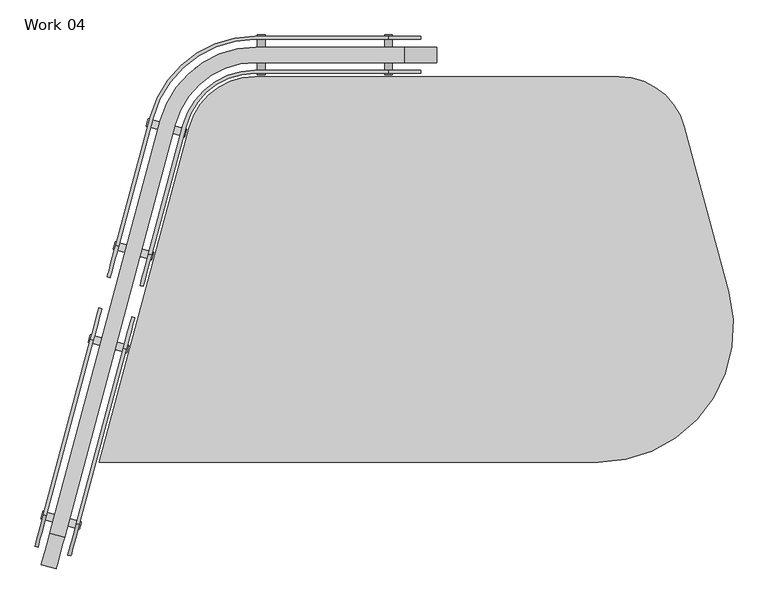
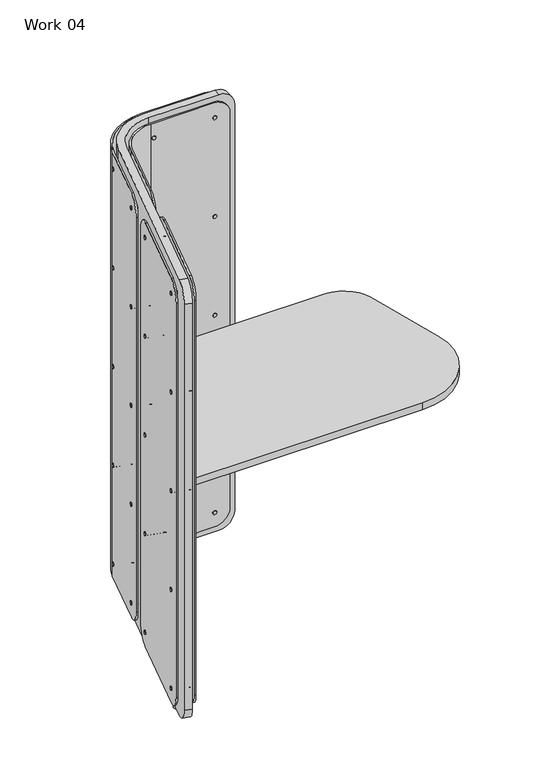
"""IFC4 building model written with IfcOpenShell, lengths in millimetres: furniture geometry, Work 04."""

import ifcopenshell
import ifcopenshell.guid

model = None  # the IFC model being written
_history = None  # IfcOwnerHistory: only IFC2X3 demands one
_inside = {}  # id of a spatial element -> (the spatial element, [elements in it])
_under = {}  # id of a project, library or spatial element -> (it, [spatial elements below it])
_declared = {}  # id of a project -> (the project, [libraries it declares])
_typed = {}  # id of a type object -> (the type object, [elements of that type])
_made_of = {}  # id of a material, layer set ... -> (it, [elements and type objects made of it])


def new_model(schema):
    """Start an empty IFC model of exactly this schema.

    Asked for "IFC4X3", IfcOpenShell would pick the latest addendum, in which some entities
    have other attributes; the version numbers below select the first issue.
    IFC2X3 requires an IfcOwnerHistory on every rooted entity: one is made here for all.
    """
    global model, _history
    if schema == "IFC4X3":
        model = ifcopenshell.file(schema_version=(4, 3, 0, 0))
    else:
        model = ifcopenshell.file(schema=schema)
    _inside.clear()
    _under.clear()
    _declared.clear()
    _typed.clear()
    _made_of.clear()
    _history = None
    if model.schema == "IFC2X3":
        org = make("IfcOrganization", Name="unknown")
        user = make(
            "IfcPersonAndOrganization",
            ThePerson=make("IfcPerson", FamilyName="unknown"),
            TheOrganization=org,
        )
        app = make(
            "IfcApplication",
            ApplicationDeveloper=org,
            Version="unknown",
            ApplicationFullName="unknown",
            ApplicationIdentifier="unknown",
        )
        _history = make(
            "IfcOwnerHistory",
            OwningUser=user,
            OwningApplication=app,
            ChangeAction="ADDED",
            CreationDate=0,
        )
    return model


def make(cls, **values):
    """One entity of the class cls with the attributes given. An attribute that is None is left unset."""
    return model.create_entity(
        cls, **{name: value for name, value in values.items() if value is not None}
    )


def rooted(cls, **values):
    """An entity with a GlobalId (a new one), such as an element, a storey or a relation."""
    return make(cls, GlobalId=ifcopenshell.guid.new(), OwnerHistory=_history, **values)


def si_unit(unit_type, name, prefix=None):
    """IfcSIUnit, for example si_unit("LENGTHUNIT", "METRE", prefix="MILLI")."""
    return make("IfcSIUnit", UnitType=unit_type, Prefix=prefix, Name=name)


def assignment(units):
    """IfcUnitAssignment: the units of a project."""
    return None if units is None else make("IfcUnitAssignment", Units=units)


def point(xyz):
    """IfcCartesianPoint."""
    return None if xyz is None else make("IfcCartesianPoint", Coordinates=xyz)


def direction(xyz):
    """IfcDirection."""
    return None if xyz is None else make("IfcDirection", DirectionRatios=xyz)


def frame(location, z_axis=None, x_axis=None):
    """IfcAxis2Placement3D, a coordinate frame: its origin and axes. An axis left out is left unset."""
    return make(
        "IfcAxis2Placement3D",
        Location=point(location),
        Axis=direction(z_axis),
        RefDirection=direction(x_axis),
    )


def frame_2d(location, x_axis=None):
    """IfcAxis2Placement2D, a coordinate frame in the plane: its origin and x axis."""
    return make(
        "IfcAxis2Placement2D", Location=point(location), RefDirection=direction(x_axis)
    )


def origin():
    """The frame at (0, 0, 0) with its axes left unset."""
    return frame((0.0, 0.0, 0.0))


def origin_with_axes():
    """The frame at (0, 0, 0) with the z axis (0, 0, 1) and the x axis (1, 0, 0) written out."""
    return frame((0.0, 0.0, 0.0), z_axis=(0.0, 0.0, 1.0), x_axis=(1.0, 0.0, 0.0))


def place(relative_to, where):
    """IfcLocalPlacement: puts the frame where relative to a parent placement (None: the world)."""
    return make(
        "IfcLocalPlacement", PlacementRelTo=relative_to, RelativePlacement=where
    )


def context(
    kind, dimensions, precision=None, world=None, true_north=None, identifier=None
):
    """IfcGeometricRepresentationContext, for example the 3D "Model" context."""
    return make(
        "IfcGeometricRepresentationContext",
        ContextIdentifier=identifier,
        ContextType=kind,
        CoordinateSpaceDimension=dimensions,
        Precision=precision,
        WorldCoordinateSystem=world,
        TrueNorth=true_north,
    )


def project(units=None, contexts=None):
    """IfcProject with its units and contexts."""
    return rooted(
        "IfcProject",
        Name="project",
        RepresentationContexts=contexts,
        UnitsInContext=assignment(units),
    )


def spatial(cls, under=None, at=None, **own):
    """A site, building, storey or space (cls), placed at a placement, below another one or the project."""
    s = rooted(cls, ObjectPlacement=at, **own)
    if under is not None:
        _under.setdefault(under.id(), (under, []))[1].append(s)
    return s


def polyline(points):
    """IfcPolyline through the points."""
    return make("IfcPolyline", Points=[point(p) for p in points])


def circle_curve(where, radius):
    """IfcCircle in the frame where."""
    return make("IfcCircle", Position=where, Radius=radius)


def trimmed(basis, trim1, trim2, sense, master):
    """IfcTrimmedCurve: the piece of a basis curve between two trims."""
    return make(
        "IfcTrimmedCurve",
        BasisCurve=basis,
        Trim1=trim1,
        Trim2=trim2,
        SenseAgreement=sense,
        MasterRepresentation=master,
    )


def segment(curve, same_sense, transition):
    """IfcCompositeCurveSegment."""
    return make(
        "IfcCompositeCurveSegment",
        Transition=transition,
        SameSense=same_sense,
        ParentCurve=curve,
    )


def composite_curve(segments, self_intersect=None):
    """IfcCompositeCurve: segments joined end to end."""
    return make("IfcCompositeCurve", Segments=segments, SelfIntersect=self_intersect)


def outline(outer, holes=None, kind="AREA"):
    """IfcArbitraryClosedProfileDef: a profile drawn as a closed curve; with holes, ...WithVoids."""
    if holes is None:
        return make("IfcArbitraryClosedProfileDef", ProfileType=kind, OuterCurve=outer)
    return make(
        "IfcArbitraryProfileDefWithVoids",
        ProfileType=kind,
        OuterCurve=outer,
        InnerCurves=holes,
    )


def extrude(swept, where, along, depth):
    """IfcExtrudedAreaSolid: the profile swept, set in the frame where, extruded along a direction by depth."""
    return make(
        "IfcExtrudedAreaSolid",
        SweptArea=swept,
        Position=where,
        ExtrudedDirection=direction(along),
        Depth=depth,
    )


def shape(context_of_items, identifier, shape_type, items):
    """IfcShapeRepresentation: the items that make up one representation, for example the "Body"."""
    return make(
        "IfcShapeRepresentation",
        ContextOfItems=context_of_items,
        RepresentationIdentifier=identifier,
        RepresentationType=shape_type,
        Items=items,
    )


def source(mapping_origin, context_of_items, identifier, shape_type, items):
    """IfcRepresentationMap: a shape defined once, which mapped items show again and again."""
    return make(
        "IfcRepresentationMap",
        MappingOrigin=mapping_origin,
        MappedRepresentation=shape(context_of_items, identifier, shape_type, items),
    )


def transform(
    local_origin,
    x_axis=None,
    y_axis=None,
    z_axis=None,
    scale=None,
    scale2=None,
    scale3=None,
    uniform=True,
):
    """IfcCartesianTransformationOperator3D, or its non-uniform kind. x_axis, y_axis, z_axis: its Axis1, 2, 3."""
    if uniform:
        return make(
            "IfcCartesianTransformationOperator3D",
            Axis1=direction(x_axis),
            Axis2=direction(y_axis),
            LocalOrigin=point(local_origin),
            Scale=scale,
            Axis3=direction(z_axis),
        )
    return make(
        "IfcCartesianTransformationOperator3DnonUniform",
        Axis1=direction(x_axis),
        Axis2=direction(y_axis),
        LocalOrigin=point(local_origin),
        Scale=scale,
        Axis3=direction(z_axis),
        Scale2=scale2,
        Scale3=scale3,
    )


def mapped(mapping_source, mapping_target):
    """IfcMappedItem: shows the shape of a source again, moved by a transform."""
    return make(
        "IfcMappedItem", MappingSource=mapping_source, MappingTarget=mapping_target
    )


def made_of(thing, what):
    """Note that an element or type object is made of a material, layer set ...; save() writes the relation."""
    if what is not None:
        _made_of.setdefault(what.id(), (what, []))[1].append(thing)
    return thing


def element(
    cls,
    number,
    at=None,
    inside=None,
    cuts=None,
    type_object=None,
    material=None,
    context=None,
    identifier="Body",
    shape_type=None,
    held_by="IfcProductDefinitionShape",
    body=None,
    shapes=None,
    **own,
):
    """One element of the class cls, such as IfcWall. Its Tag is "e" and its number.

    at: its placement. inside: the storey or other place that contains it. cuts: it is an
    opening in that element (IfcRelVoidsElement). A single representation is given by context,
    identifier, shape_type and body (its items); several are given by shapes. held_by: the class
    of the entity that holds the representations. save() writes the other relations.
    """
    e = rooted(cls, Tag="e%d" % number, ObjectPlacement=at, **own)
    if body is not None:
        shapes = [shape(context, identifier, shape_type, body)]
    if shapes is not None:
        e.Representation = make(held_by, Representations=shapes)
    if inside is not None:
        _inside.setdefault(inside.id(), (inside, []))[1].append(e)
    if cuts is not None:
        rooted(
            "IfcRelVoidsElement", RelatingBuildingElement=cuts, RelatedOpeningElement=e
        )
    if type_object is not None:
        _typed.setdefault(type_object.id(), (type_object, []))[1].append(e)
    return made_of(e, material)


def aggregate(whole, parts):
    """IfcRelAggregates: a whole, such as a stair, and the parts it consists of."""
    return rooted("IfcRelAggregates", RelatingObject=whole, RelatedObjects=parts)


def save(model, path):
    """Write the relations noted so far, then the file.

    IfcRelAggregates (storeys below a building ...), IfcRelContainedInSpatialStructure (elements
    in a storey), IfcRelDefinesByType, IfcRelAssociatesMaterial and IfcRelDeclares: one each for
    every whole, place, type object, material and project.
    """
    for whole, parts in _under.values():
        aggregate(whole, parts)
    for where, things in _inside.values():
        rooted(
            "IfcRelContainedInSpatialStructure",
            RelatedElements=things,
            RelatingStructure=where,
        )
    for kind, things in _typed.values():
        rooted("IfcRelDefinesByType", RelatedObjects=things, RelatingType=kind)
    for what, things in _made_of.values():
        rooted("IfcRelAssociatesMaterial", RelatedObjects=things, RelatingMaterial=what)
    for by, libraries in _declared.values():
        rooted("IfcRelDeclares", RelatingContext=by, RelatedDefinitions=libraries)
    model.write(path)


def plane_surface(at):
    """IfcPlane: the flat surface through the origin of the frame at, square to its z axis."""
    return make("IfcPlane", Position=at)


def cylinder_surface(at, radius):
    """IfcCylindricalSurface: all points at the distance radius from the z axis of the frame at."""
    return make("IfcCylindricalSurface", Position=at, Radius=radius)


def revolved_surface(curve, axis_point, axis_direction):
    """IfcSurfaceOfRevolution: the curve turned about the line through axis_point along axis_direction."""
    return make(
        "IfcSurfaceOfRevolution",
        SweptCurve=make("IfcArbitraryOpenProfileDef", ProfileType="CURVE", Curve=curve),
        AxisPosition=make("IfcAxis1Placement", Location=point(axis_point), Axis=direction(axis_direction)),
    )


def advanced_brep(points, edges, surfaces, faces):
    """IfcAdvancedBrep: a solid bounded by faces that lie on surfaces and meet in shared edges.

    An edge is (start, end): straight between two places in points (the first is 0);
    or (start, end, curve); or (start, end, curve, False) where it runs against its curve.
    A face is (place in surfaces, loops), or (place, loops, False) where it looks against
    its surface's normal. A loop lists edges by number (the first is 1), with a minus sign
    where the edge is run from its end to its start. The first loop is the outer one.
    """
    corners = [point(p) for p in points]
    vertices = [make("IfcVertexPoint", VertexGeometry=c) for c in corners]
    made = []
    for start, end, *more in edges:
        made.append(
            make(
                "IfcEdgeCurve",
                EdgeStart=vertices[start],
                EdgeEnd=vertices[end],
                EdgeGeometry=more[0] if more else make("IfcPolyline", Points=[corners[start], corners[end]]),
                SameSense=more[1] if len(more) > 1 else True,
            )
        )
    hull = []
    for where, loops, *sense in faces:
        bounds = []
        for j, loop in enumerate(loops):
            ring = [make("IfcOrientedEdge", EdgeElement=made[abs(k) - 1], Orientation=k > 0) for k in loop]
            bounds.append(
                make(
                    "IfcFaceOuterBound" if j == 0 else "IfcFaceBound",
                    Bound=make("IfcEdgeLoop", EdgeList=ring),
                    Orientation=True,
                )
            )
        hull.append(make("IfcAdvancedFace", Bounds=bounds, FaceSurface=surfaces[where], SameSense=sense[0] if sense else True))
    return make("IfcAdvancedBrep", Outer=make("IfcClosedShell", CfsFaces=hull))


def work_04_955e3c54(model_context):
    return source(origin(), model_context, "Body", "SolidModel", [
        advanced_brep(
        [(319.2121602, 0.0, 1510.0), (155.9706956, -125.2595814, 1510.0), (102.3193192, -325.4892437, 1510.0), (107.1489484, -326.7833389, 1510.0), (160.8003247, -126.5536766, 1510.0), (319.2121602, -5.0, 1510.0), (526.5051602, -5.0, 1510.0), (526.5051602, 0.0, 1510.0), (319.2121602, -5.0, 50.0), (160.8003247, -126.5536766, 50.0), (107.1489484, -326.7833389, 50.0), (102.3193192, -325.4892437, 50.0), (155.9706956, -125.2595814, 50.0), (319.2121602, 0.0, 50.0), (526.5051602, 0.0, 50.0), (526.5051602, -5.0, 50.0), (577.3051602, 0.0, 1459.2), (577.3051602, 0.0, 100.8), (89.1713117, -374.5582757, 100.8), (89.1713117, -374.5582757, 1459.2), (94.0009409, -375.8523709, 1459.2), (94.0009409, -375.8523709, 100.8), (577.3051602, -5.0, 100.8), (577.3051602, -5.0, 1459.2)],
        [
            (0, 1, circle_curve(frame((319.2121602, -169.0, 1510.0), z_axis=(0.0, 0.0, 1.0), x_axis=(1.0, 0.0, 0.0)), 169.0)),
            (1, 2),
            (2, 3),
            (3, 4),
            (4, 5, circle_curve(frame((319.2121602, -169.0, 1510.0), z_axis=(0.0, 0.0, -1.0), x_axis=(1.0, 0.0, 0.0)), 164.0)),
            (5, 6),
            (6, 7),
            (7, 0),
            (8, 9, circle_curve(frame((319.2121602, -169.0, 50.0), z_axis=(0.0, 0.0, 1.0), x_axis=(1.0, 0.0, 0.0)), 164.0)),
            (9, 10),
            (10, 11),
            (11, 12),
            (12, 13, circle_curve(frame((319.2121602, -169.0, 50.0), z_axis=(0.0, 0.0, -1.0), x_axis=(1.0, 0.0, 0.0)), 169.0)),
            (13, 14),
            (14, 15),
            (15, 8),
            (7, 16, circle_curve(frame((526.5051602, 0.0, 1459.2), z_axis=(0.0, 1.0, 0.0), x_axis=(1.0, 0.0, 0.0)), 50.8)),
            (16, 17),
            (17, 14, circle_curve(frame((526.5051602, 0.0, 100.8), z_axis=(0.0, 1.0, 0.0), x_axis=(1.0, 0.0, 0.0)), 50.8)),
            (13, 0),
            (12, 1),
            (11, 18, circle_curve(frame((102.3193192, -325.4892437, 100.8), z_axis=(-0.9659258262896977, 0.25881904510017184, 0.0), x_axis=(-0.25881904510017184, -0.9659258262896977, 0.0)), 50.8)),
            (18, 19),
            (19, 2, circle_curve(frame((102.3193192, -325.4892437, 1459.2), z_axis=(-0.9659258262896977, 0.25881904510017184, 0.0), x_axis=(-0.25881904510017184, -0.9659258262896977, 0.0)), 50.8)),
            (9, 4),
            (3, 20, circle_curve(frame((107.1489484, -326.7833389, 1459.2), z_axis=(0.9659258262896977, -0.25881904510017184, 0.0), x_axis=(-0.25881904510017184, -0.9659258262896977, 0.0)), 50.8)),
            (20, 21),
            (21, 10, circle_curve(frame((107.1489484, -326.7833389, 100.8), z_axis=(0.9659258262896977, -0.25881904510017184, 0.0), x_axis=(-0.25881904510017184, -0.9659258262896977, 0.0)), 50.8)),
            (8, 5),
            (15, 22, circle_curve(frame((526.5051602, -5.0, 100.8), z_axis=(0.0, -1.0, 0.0), x_axis=(1.0, 0.0, 0.0)), 50.8)),
            (22, 23),
            (23, 6, circle_curve(frame((526.5051602, -5.0, 1459.2), z_axis=(0.0, -1.0, 0.0), x_axis=(1.0, 0.0, 0.0)), 50.8)),
            (21, 18),
            (20, 19),
            (17, 22),
            (16, 23),
        ],
        [
            plane_surface(frame((501.9051602, 0.0, 1510.0), z_axis=(0.0, 0.0, 1.0), x_axis=(0.0, 1.0, 0.0))),
            plane_surface(frame((501.9051602, 0.0, 50.0), z_axis=(0.0, 0.0, -1.0), x_axis=(0.0, -1.0, 0.0))),
            plane_surface(frame((501.9051602, 0.0, 1510.0), z_axis=(0.0, 1.0, 0.0), x_axis=(0.0, 0.0, -1.0))),
            cylinder_surface(frame((319.2121602, -169.0, 50.0), z_axis=(0.0, 0.0, 1.0), x_axis=(1.0, 0.0, 0.0)), 169.0),
            plane_surface(frame((155.9706956, -125.2595814, 1510.0), z_axis=(-0.9659258262890726, 0.25881904510250475, 0.0), x_axis=(0.0, 0.0, -1.0))),
            plane_surface(frame((113.5158969, -303.0215636, 1510.0), z_axis=(0.9659258262890729, -0.25881904510250364, 0.0), x_axis=(0.0, 0.0, -1.0))),
            revolved_surface(polyline([(483.2121602, -169.0, 50.0), (483.2121602, -169.0, 1510.0)]), (319.2121602, -169.0, 50.0), (0.0, 0.0, -1.0)),
            plane_surface(frame((319.2121602, -5.0, 1510.0), z_axis=(0.0, -1.0, 0.0), x_axis=(0.0, 0.0, -1.0))),
            cylinder_surface(frame((102.3193192, -325.4892437, 100.8), z_axis=(0.9659258262896977, -0.25881904510017184, 0.0), x_axis=(-0.25881904510017184, -0.9659258262896977, 0.0)), 50.8),
            plane_surface(frame((94.0009409, -375.8523709, 1459.2), z_axis=(-0.25881904510016834, -0.9659258262896986, 0.0), x_axis=(-0.9659258262896986, 0.25881904510016834, 0.0))),
            cylinder_surface(frame((102.3193192, -325.4892437, 1459.2), z_axis=(0.9659258262896977, -0.25881904510017184, 0.0), x_axis=(-0.25881904510017184, -0.9659258262896977, 0.0)), 50.8),
            cylinder_surface(frame((526.5051602, 0.0, 100.8), z_axis=(0.0, -1.0, 0.0), x_axis=(1.0, 0.0, 0.0)), 50.8),
            plane_surface(frame((577.3051602, -5.0, 100.8), z_axis=(1.0, 0.0, 0.0), x_axis=(0.0, 1.0, 0.0))),
            cylinder_surface(frame((526.5051602, 0.0, 1459.2), z_axis=(0.0, -1.0, 0.0), x_axis=(1.0, 0.0, 0.0)), 50.8),
        ],
        [
            (0, [[1, 2, 3, 4, 5, 6, 7, 8]]),
            (1, [[9, 10, 11, 12, 13, 14, 15, 16]]),
            (2, [[-8, 17, 18, 19, -14, 20]]),
            (3, [[-1, -20, -13, 21]]),
            (4, [[-21, -12, 22, 23, 24, -2]]),
            (5, [[25, -4, 26, 27, 28, -10]]),
            (6, [[-5, -25, -9, 29]]),
            (7, [[-6, -29, -16, 30, 31, 32]]),
            (8, [[-28, 33, -22, -11]]),
            (9, [[-27, 34, -23, -33]]),
            (10, [[-26, -3, -24, -34]]),
            (11, [[-30, -15, -19, 35]]),
            (12, [[-31, -35, -18, 36]]),
            (13, [[-32, -36, -17, -7]]),
        ],
    ),
        advanced_brep(
        [(319.2121602, -53.0, 1510.0), (207.1647643, -138.9769908, 1510.0), (153.513388, -339.2066531, 1510.0), (158.3430172, -340.5007483, 1510.0), (211.9943935, -140.271086, 1510.0), (319.2121602, -58.0, 1510.0), (526.5051602, -58.0, 1510.0), (526.5051602, -53.0, 1510.0), (319.2121602, -58.0, 50.0), (211.9943935, -140.271086, 50.0), (158.3430172, -340.5007483, 50.0), (153.513388, -339.2066531, 50.0), (207.1647643, -138.9769908, 50.0), (319.2121602, -53.0, 50.0), (526.5051602, -53.0, 50.0), (526.5051602, -58.0, 50.0), (577.3051602, -53.0, 1459.2), (577.3051602, -53.0, 100.8), (140.3653805, -388.2756851, 100.8), (140.3653805, -388.2756851, 1459.2), (145.1950097, -389.5697803, 1459.2), (145.1950097, -389.5697803, 100.8), (577.3051602, -58.0, 100.8), (577.3051602, -58.0, 1459.2)],
        [
            (0, 1, circle_curve(frame((319.2121602, -169.0, 1510.0), z_axis=(0.0, 0.0, 1.0), x_axis=(1.0, 0.0, 0.0)), 116.0)),
            (1, 2),
            (2, 3),
            (3, 4),
            (4, 5, circle_curve(frame((319.2121602, -169.0, 1510.0), z_axis=(0.0, 0.0, -1.0), x_axis=(1.0, 0.0, 0.0)), 111.0)),
            (5, 6),
            (6, 7),
            (7, 0),
            (8, 9, circle_curve(frame((319.2121602, -169.0, 50.0), z_axis=(0.0, 0.0, 1.0), x_axis=(1.0, 0.0, 0.0)), 111.0)),
            (9, 10),
            (10, 11),
            (11, 12),
            (12, 13, circle_curve(frame((319.2121602, -169.0, 50.0), z_axis=(0.0, 0.0, -1.0), x_axis=(1.0, 0.0, 0.0)), 116.0)),
            (13, 14),
            (14, 15),
            (15, 8),
            (13, 0),
            (7, 16, circle_curve(frame((526.5051602, -53.0, 1459.2), z_axis=(0.0, 1.0, 0.0), x_axis=(1.0, 0.0, 0.0)), 50.8)),
            (16, 17),
            (17, 14, circle_curve(frame((526.5051602, -53.0, 100.8), z_axis=(0.0, 1.0, 0.0), x_axis=(1.0, 0.0, 0.0)), 50.8)),
            (12, 1),
            (11, 18, circle_curve(frame((153.513388, -339.2066531, 100.8), z_axis=(-0.9659258262896977, 0.25881904510017184, 0.0), x_axis=(-0.25881904510017184, -0.9659258262896977, 0.0)), 50.8)),
            (18, 19),
            (19, 2, circle_curve(frame((153.513388, -339.2066531, 1459.2), z_axis=(-0.9659258262896977, 0.25881904510017184, 0.0), x_axis=(-0.25881904510017184, -0.9659258262896977, 0.0)), 50.8)),
            (9, 4),
            (3, 20, circle_curve(frame((158.3430172, -340.5007483, 1459.2), z_axis=(0.9659258262896977, -0.25881904510017184, 0.0), x_axis=(-0.25881904510017184, -0.9659258262896977, 0.0)), 50.8)),
            (20, 21),
            (21, 10, circle_curve(frame((158.3430172, -340.5007483, 100.8), z_axis=(0.9659258262896977, -0.25881904510017184, 0.0), x_axis=(-0.25881904510017184, -0.9659258262896977, 0.0)), 50.8)),
            (8, 5),
            (15, 22, circle_curve(frame((526.5051602, -58.0, 100.8), z_axis=(0.0, -1.0, 0.0), x_axis=(1.0, 0.0, 0.0)), 50.8)),
            (22, 23),
            (23, 6, circle_curve(frame((526.5051602, -58.0, 1459.2), z_axis=(0.0, -1.0, 0.0), x_axis=(1.0, 0.0, 0.0)), 50.8)),
            (21, 18),
            (20, 19),
            (17, 22),
            (16, 23),
        ],
        [
            plane_surface(frame((501.9051602, 0.0, 1510.0), z_axis=(0.0, 0.0, 1.0), x_axis=(0.0, 1.0, 0.0))),
            plane_surface(frame((501.9051602, 0.0, 50.0), z_axis=(0.0, 0.0, -1.0), x_axis=(0.0, -1.0, 0.0))),
            plane_surface(frame((501.9051602, -53.0, 1510.0), z_axis=(0.0, 1.0, 0.0), x_axis=(0.0, 0.0, -1.0))),
            cylinder_surface(frame((319.2121602, -169.0, 0.0), z_axis=(0.0, 0.0, 1.0), x_axis=(1.0, 0.0, 0.0)), 116.0),
            plane_surface(frame((207.1647643, -138.9769908, 1510.0), z_axis=(-0.9659258262890709, 0.2588190451025112, 0.0), x_axis=(0.0, 0.0, -1.0))),
            plane_surface(frame((164.7099657, -316.738973, 1510.0), z_axis=(0.9659258262890709, -0.25881904510251136, 0.0), x_axis=(0.0, 0.0, -1.0))),
            revolved_surface(polyline([(430.2121602, -169.0, 50.0), (430.2121602, -169.0, 1510.0)]), (319.2121602, -169.0, 0.0), (0.0, 0.0, -1.0)),
            plane_surface(frame((319.2121602, -58.0, 1510.0), z_axis=(0.0, -1.0, 0.0), x_axis=(0.0, 0.0, -1.0))),
            cylinder_surface(frame((153.513388, -339.2066531, 100.8), z_axis=(0.9659258262896977, -0.25881904510017184, 0.0), x_axis=(-0.25881904510017184, -0.9659258262896977, 0.0)), 50.8),
            plane_surface(frame((145.1950097, -389.5697803, 1459.2), z_axis=(-0.25881904510017206, -0.9659258262896977, 0.0), x_axis=(-0.9659258262896977, 0.25881904510017206, 0.0))),
            cylinder_surface(frame((153.513388, -339.2066531, 1459.2), z_axis=(0.9659258262896977, -0.25881904510017184, 0.0), x_axis=(-0.25881904510017184, -0.9659258262896977, 0.0)), 50.8),
            cylinder_surface(frame((526.5051602, -53.0, 100.8), z_axis=(0.0, -1.0, 0.0), x_axis=(1.0, 0.0, 0.0)), 50.8),
            plane_surface(frame((577.3051602, -58.0, 100.8), z_axis=(1.0, 0.0, 0.0), x_axis=(0.0, 1.0, 0.0))),
            cylinder_surface(frame((526.5051602, -53.0, 1459.2), z_axis=(0.0, -1.0, 0.0), x_axis=(1.0, 0.0, 0.0)), 50.8),
        ],
        [
            (0, [[1, 2, 3, 4, 5, 6, 7, 8]]),
            (1, [[9, 10, 11, 12, 13, 14, 15, 16]]),
            (2, [[17, -8, 18, 19, 20, -14]]),
            (3, [[-1, -17, -13, 21]]),
            (4, [[-21, -12, 22, 23, 24, -2]]),
            (5, [[25, -4, 26, 27, 28, -10]]),
            (6, [[-5, -25, -9, 29]]),
            (7, [[-29, -16, 30, 31, 32, -6]]),
            (8, [[-28, 33, -22, -11]]),
            (9, [[-27, 34, -23, -33]]),
            (10, [[-26, -3, -24, -34]]),
            (11, [[-30, -15, -20, 35]]),
            (12, [[-31, -35, -19, 36]]),
            (13, [[-32, -36, -18, -7]]),
        ],
    ),
        advanced_brep(
        [(320.7468142, -17.0, 1520.0), (171.9942369, -131.1418671, 1520.0), (-0.1249175, -773.4992965, 1520.0), (23.0573023, -779.7109536, 1520.0), (195.1764568, -137.3535241, 1520.0), (320.7468142, -41.0, 1520.0), (551.5051602, -41.0, 1520.0), (551.5051602, -17.0, 1520.0), (320.7468142, -41.0, 20.0), (195.1764568, -137.3535241, 20.0), (23.0573023, -779.7109536, 20.0), (-0.1249175, -773.4992965, 20.0), (171.9942369, -131.1418671, 20.0), (320.7468142, -17.0, 20.0), (551.5051602, -17.0, 20.0), (551.5051602, -41.0, 20.0), (602.3051602, -17.0, 1469.2), (602.3051602, -17.0, 633.98), (577.3051602, -17.0, 608.98), (577.3051602, -17.0, 535.0), (602.3051602, -17.0, 510.0), (602.3051602, -17.0, 70.8), (-13.272925, -822.5683285, 70.8), (-13.272925, -822.5683285, 1469.2), (9.9092948, -828.7799856, 1469.2), (9.9092948, -828.7799856, 70.8), (602.3051602, -41.0, 70.8), (602.3051602, -41.0, 510.0), (577.3051602, -41.0, 535.0), (577.3051602, -41.0, 608.98), (602.3051602, -41.0, 633.98), (602.3051602, -41.0, 1469.2)],
        [
            (0, 1, circle_curve(frame((320.7468142, -171.0, 1520.0), z_axis=(0.0, 0.0, 1.0), x_axis=(1.0, 0.0, 0.0)), 154.0)),
            (1, 2),
            (2, 3),
            (3, 4),
            (4, 5, circle_curve(frame((320.7468142, -171.0, 1520.0), z_axis=(0.0, 0.0, -1.0), x_axis=(1.0, 0.0, 0.0)), 130.0)),
            (5, 6),
            (6, 7),
            (7, 0),
            (8, 9, circle_curve(frame((320.7468142, -171.0, 20.0), z_axis=(0.0, 0.0, 1.0), x_axis=(1.0, 0.0, 0.0)), 130.0)),
            (9, 10),
            (10, 11),
            (11, 12),
            (12, 13, circle_curve(frame((320.7468142, -171.0, 20.0), z_axis=(0.0, 0.0, -1.0), x_axis=(1.0, 0.0, 0.0)), 154.0)),
            (13, 14),
            (14, 15),
            (15, 8),
            (7, 16, circle_curve(frame((551.5051602, -17.0, 1469.2), z_axis=(0.0, 1.0, 0.0), x_axis=(1.0, 0.0, 0.0)), 50.8)),
            (16, 17),
            (17, 18),
            (18, 19),
            (19, 20),
            (20, 21),
            (21, 14, circle_curve(frame((551.5051602, -17.0, 70.8), z_axis=(0.0, 1.0, 0.0), x_axis=(1.0, 0.0, 0.0)), 50.8)),
            (13, 0),
            (12, 1),
            (11, 22, circle_curve(frame((-0.1249175, -773.4992965, 70.8), z_axis=(-0.9659258262896977, 0.25881904510017184, 0.0), x_axis=(-0.25881904510017184, -0.9659258262896977, 0.0)), 50.8)),
            (22, 23),
            (23, 2, circle_curve(frame((-0.1249175, -773.4992965, 1469.2), z_axis=(-0.9659258262896977, 0.25881904510017184, 0.0), x_axis=(-0.25881904510017184, -0.9659258262896977, 0.0)), 50.8)),
            (9, 4),
            (3, 24, circle_curve(frame((23.0573023, -779.7109536, 1469.2), z_axis=(0.9659258262896977, -0.25881904510017184, 0.0), x_axis=(-0.25881904510017184, -0.9659258262896977, 0.0)), 50.8)),
            (24, 25),
            (25, 10, circle_curve(frame((23.0573023, -779.7109536, 70.8), z_axis=(0.9659258262896977, -0.25881904510017184, 0.0), x_axis=(-0.25881904510017184, -0.9659258262896977, 0.0)), 50.8)),
            (8, 5),
            (15, 26, circle_curve(frame((551.5051602, -41.0, 70.8), z_axis=(0.0, -1.0, 0.0), x_axis=(1.0, 0.0, 0.0)), 50.8)),
            (26, 27),
            (27, 28),
            (28, 29),
            (29, 30),
            (30, 31),
            (31, 6, circle_curve(frame((551.5051602, -41.0, 1469.2), z_axis=(0.0, -1.0, 0.0), x_axis=(1.0, 0.0, 0.0)), 50.8)),
            (25, 22),
            (24, 23),
            (21, 26),
            (20, 27),
            (19, 28),
            (18, 29),
            (17, 30),
            (16, 31),
        ],
        [
            plane_surface(frame((526.9051602, -17.0, 1520.0), z_axis=(0.0, 0.0, 1.0), x_axis=(0.0, 1.0, 0.0))),
            plane_surface(frame((526.9051602, -17.0, 20.0), z_axis=(0.0, 0.0, -1.0), x_axis=(0.0, -1.0, 0.0))),
            plane_surface(frame((526.9051602, -17.0, 1520.0), z_axis=(0.0, 1.0, 0.0), x_axis=(0.0, 0.0, -1.0))),
            cylinder_surface(frame((320.7468142, -171.0, 20.0), z_axis=(0.0, 0.0, 1.0), x_axis=(1.0, 0.0, 0.0)), 154.0),
            plane_surface(frame((171.9942369, -131.1418671, 1520.0), z_axis=(-0.9659258262890715, 0.2588190451025091, 0.0), x_axis=(0.0, 0.0, -1.0))),
            plane_surface(frame((29.4242508, -755.9491783, 1520.0), z_axis=(0.9659258262890698, -0.2588190451025155, 0.0), x_axis=(0.0, 0.0, -1.0))),
            revolved_surface(polyline([(450.7468142, -171.0, 20.0), (450.7468142, -171.0, 1520.0)]), (320.7468142, -171.0, 20.0), (0.0, 0.0, -1.0)),
            plane_surface(frame((320.7468142, -41.0, 1520.0), z_axis=(0.0, -1.0, 0.0), x_axis=(0.0, 0.0, -1.0))),
            cylinder_surface(frame((-0.1249175, -773.4992965, 70.8), z_axis=(0.9659258262896977, -0.25881904510017184, 0.0), x_axis=(-0.25881904510017184, -0.9659258262896977, 0.0)), 50.8),
            plane_surface(frame((9.9092948, -828.7799856, 1469.2), z_axis=(-0.2588190451001697, -0.9659258262896984, 0.0), x_axis=(-0.9659258262896984, 0.2588190451001697, 0.0))),
            cylinder_surface(frame((-0.1249175, -773.4992965, 1469.2), z_axis=(0.9659258262896977, -0.25881904510017184, 0.0), x_axis=(-0.25881904510017184, -0.9659258262896977, 0.0)), 50.8),
            cylinder_surface(frame((551.5051602, -17.0, 70.8), z_axis=(0.0, -1.0, 0.0), x_axis=(1.0, 0.0, 0.0)), 50.8),
            plane_surface(frame((602.3051602, -41.0, 70.8), z_axis=(1.0, 0.0, 0.0), x_axis=(0.0, 1.0, 0.0))),
            plane_surface(frame((602.3051602, -41.0, 510.0), z_axis=(0.7071067811865485, 0.0, 0.7071067811865466), x_axis=(0.0, 1.0, 0.0))),
            plane_surface(frame((577.3051602, -41.0, 535.0), z_axis=(1.0, 0.0, 0.0), x_axis=(0.0, 1.0, 0.0))),
            plane_surface(frame((577.3051602, -41.0, 608.98), z_axis=(0.7071067811865456, 0.0, -0.7071067811865495), x_axis=(0.0, 1.0, 0.0))),
            plane_surface(frame((602.3051602, -41.0, 633.98), z_axis=(1.0, 0.0, 0.0), x_axis=(0.0, 1.0, 0.0))),
            cylinder_surface(frame((551.5051602, -17.0, 1469.2), z_axis=(0.0, -1.0, 0.0), x_axis=(1.0, 0.0, 0.0)), 50.8),
        ],
        [
            (0, [[1, 2, 3, 4, 5, 6, 7, 8]]),
            (1, [[9, 10, 11, 12, 13, 14, 15, 16]]),
            (2, [[-8, 17, 18, 19, 20, 21, 22, 23, -14, 24]]),
            (3, [[-1, -24, -13, 25]]),
            (4, [[-25, -12, 26, 27, 28, -2]]),
            (5, [[29, -4, 30, 31, 32, -10]]),
            (6, [[-5, -29, -9, 33]]),
            (7, [[-6, -33, -16, 34, 35, 36, 37, 38, 39, 40]]),
            (8, [[-32, 41, -26, -11]]),
            (9, [[-31, 42, -27, -41]]),
            (10, [[-30, -3, -28, -42]]),
            (11, [[-34, -15, -23, 43]]),
            (12, [[-35, -43, -22, 44]]),
            (13, [[-36, -44, -21, 45]]),
            (14, [[-37, -45, -20, 46]]),
            (15, [[-38, -46, -19, 47]]),
            (16, [[-39, -47, -18, 48]]),
            (17, [[-40, -48, -17, -7]]),
        ],
    ),
        extrude(outline(composite_curve([segment(trimmed(circle_curve(frame_2d((0.0, -6.0)), 6.0), [point((0.0, -12.0))], [point((0.0, 0.0))], False, "CARTESIAN"), True, "CONTINUOUS"), segment(trimmed(circle_curve(frame_2d((0.0, -6.0)), 6.0), [point((0.0, 0.0))], [point((0.0, -12.0))], False, "CARTESIAN"), True, "CONTINUOUS")], self_intersect=False)), frame((46.1203996, -767.0486654, 1460.0), z_axis=(-0.9659258262896977, 0.25881904510017184, 0.0), x_axis=(0.0, 0.0, -1.0)), (0.0, 0.0, 1.0), 62.0),
        extrude(outline(composite_curve([segment(trimmed(circle_curve(frame_2d((0.0, -290.259)), 6.0), [point((0.0, -296.259))], [point((0.0, -284.2589999))], False, "CARTESIAN"), True, "CONTINUOUS"), segment(trimmed(circle_curve(frame_2d((0.0, -290.259)), 6.0), [point((0.0, -284.2589999))], [point((0.0, -296.259))], False, "CARTESIAN"), True, "CONTINUOUS")], self_intersect=False)), frame((46.1203996, -767.0486654, 1460.0), z_axis=(-0.9659258262896977, 0.25881904510017184, 0.0), x_axis=(0.0, 0.0, -1.0)), (0.0, 0.0, 1.0), 62.0),
        extrude(outline(composite_curve([segment(trimmed(circle_curve(frame_2d((340.0, -6.0)), 6.0), [point((340.0, -12.0))], [point((340.0, 0.0))], False, "CARTESIAN"), True, "CONTINUOUS"), segment(trimmed(circle_curve(frame_2d((340.0, -6.0)), 6.0), [point((340.0, 0.0))], [point((340.0, -12.0))], False, "CARTESIAN"), True, "CONTINUOUS")], self_intersect=False)), frame((46.1203996, -767.0486654, 1460.0), z_axis=(-0.9659258262896977, 0.25881904510017184, 0.0), x_axis=(0.0, 0.0, -1.0)), (0.0, 0.0, 1.0), 62.0),
        extrude(outline(composite_curve([segment(trimmed(circle_curve(frame_2d((340.0, -290.259)), 6.0), [point((340.0, -296.259))], [point((340.0, -284.2589999))], False, "CARTESIAN"), True, "CONTINUOUS"), segment(trimmed(circle_curve(frame_2d((340.0, -290.259)), 6.0), [point((340.0, -284.2589999))], [point((340.0, -296.259))], False, "CARTESIAN"), True, "CONTINUOUS")], self_intersect=False)), frame((46.1203996, -767.0486654, 1460.0), z_axis=(-0.9659258262896977, 0.25881904510017184, 0.0), x_axis=(0.0, 0.0, -1.0)), (0.0, 0.0, 1.0), 62.0),
        extrude(outline(composite_curve([segment(trimmed(circle_curve(frame_2d((680.0, -6.0)), 6.0), [point((680.0, -12.0))], [point((680.0, 0.0))], False, "CARTESIAN"), True, "CONTINUOUS"), segment(trimmed(circle_curve(frame_2d((680.0, -6.0)), 6.0), [point((680.0, 0.0))], [point((680.0, -12.0))], False, "CARTESIAN"), True, "CONTINUOUS")], self_intersect=False)), frame((46.1203996, -767.0486654, 1460.0), z_axis=(-0.9659258262896977, 0.25881904510017184, 0.0), x_axis=(0.0, 0.0, -1.0)), (0.0, 0.0, 1.0), 62.0),
        extrude(outline(composite_curve([segment(trimmed(circle_curve(frame_2d((680.0, -290.259)), 6.0), [point((680.0, -296.259))], [point((680.0, -284.2589999))], False, "CARTESIAN"), True, "CONTINUOUS"), segment(trimmed(circle_curve(frame_2d((680.0, -290.259)), 6.0), [point((680.0, -284.2589999))], [point((680.0, -296.259))], False, "CARTESIAN"), True, "CONTINUOUS")], self_intersect=False)), frame((46.1203996, -767.0486654, 1460.0), z_axis=(-0.9659258262896977, 0.25881904510017184, 0.0), x_axis=(0.0, 0.0, -1.0)), (0.0, 0.0, 1.0), 62.0),
        extrude(outline(composite_curve([segment(trimmed(circle_curve(frame_2d((1020.0, -6.0)), 6.0), [point((1020.0, -12.0))], [point((1020.0, 0.0))], False, "CARTESIAN"), True, "CONTINUOUS"), segment(trimmed(circle_curve(frame_2d((1020.0, -6.0)), 6.0), [point((1020.0, 0.0))], [point((1020.0, -12.0))], False, "CARTESIAN"), True, "CONTINUOUS")], self_intersect=False)), frame((46.1203996, -767.0486654, 1460.0), z_axis=(-0.9659258262896977, 0.25881904510017184, 0.0), x_axis=(0.0, 0.0, -1.0)), (0.0, 0.0, 1.0), 62.0),
        extrude(outline(composite_curve([segment(trimmed(circle_curve(frame_2d((1020.0, -290.259)), 6.0), [point((1020.0, -296.259))], [point((1020.0, -284.2589999))], False, "CARTESIAN"), True, "CONTINUOUS"), segment(trimmed(circle_curve(frame_2d((1020.0, -290.259)), 6.0), [point((1020.0, -284.2589999))], [point((1020.0, -296.259))], False, "CARTESIAN"), True, "CONTINUOUS")], self_intersect=False)), frame((46.1203996, -767.0486654, 1460.0), z_axis=(-0.9659258262896977, 0.25881904510017184, 0.0), x_axis=(0.0, 0.0, -1.0)), (0.0, 0.0, 1.0), 62.0),
        extrude(outline(composite_curve([segment(trimmed(circle_curve(frame_2d((1360.0, -6.0)), 6.0), [point((1360.0, -12.0))], [point((1360.0, 0.0))], False, "CARTESIAN"), True, "CONTINUOUS"), segment(trimmed(circle_curve(frame_2d((1360.0, -6.0)), 6.0), [point((1360.0, 0.0))], [point((1360.0, -12.0))], False, "CARTESIAN"), True, "CONTINUOUS")], self_intersect=False)), frame((46.1203996, -767.0486654, 1460.0), z_axis=(-0.9659258262896977, 0.25881904510017184, 0.0), x_axis=(0.0, 0.0, -1.0)), (0.0, 0.0, 1.0), 62.0),
        extrude(outline(composite_curve([segment(trimmed(circle_curve(frame_2d((1360.0, -290.259)), 6.0), [point((1360.0, -296.259))], [point((1360.0, -284.2589999))], False, "CARTESIAN"), True, "CONTINUOUS"), segment(trimmed(circle_curve(frame_2d((1360.0, -290.259)), 6.0), [point((1360.0, -284.2589999))], [point((1360.0, -296.259))], False, "CARTESIAN"), True, "CONTINUOUS")], self_intersect=False)), frame((46.1203996, -767.0486654, 1460.0), z_axis=(-0.9659258262896977, 0.25881904510017184, 0.0), x_axis=(0.0, 0.0, -1.0)), (0.0, 0.0, 1.0), 62.0),
        extrude(outline(composite_curve([segment(trimmed(circle_curve(frame_2d((29.455769, -709.7630579)), 11.4859648), [point((29.455769, -698.2770931))], [point((29.455769, -721.2490226))], False, "CARTESIAN"), True, "CONTINUOUS"), segment(trimmed(circle_curve(frame_2d((29.455769, -709.7630579)), 11.4859648), [point((29.455769, -721.2490226))], [point((29.455769, -698.2770931))], False, "CARTESIAN"), True, "CONTINUOUS")], self_intersect=False)), origin_with_axes(), (0.0, 0.0, 1.0), 20.0),
        extrude(outline(composite_curve([segment(trimmed(circle_curve(frame_2d((233.9855601, -57.9305324)), 11.5), [point((233.9855601, -46.4305324))], [point((233.9855601, -69.4305324))], False, "CARTESIAN"), True, "CONTINUOUS"), segment(trimmed(circle_curve(frame_2d((233.9855601, -57.9305324)), 11.5), [point((233.9855601, -69.4305324))], [point((233.9855601, -46.4305324))], False, "CARTESIAN"), True, "CONTINUOUS")], self_intersect=False)), origin_with_axes(), (0.0, 0.0, 1.0), 20.0),
        extrude(outline(composite_curve([segment(trimmed(circle_curve(frame_2d((317.5995711, -50.8)), 50.8), [point((317.5995711, 0.0))], [point((368.3995711, -50.8))], False, "CARTESIAN"), True, "CONTINUOUS"), segment(polyline([(368.3995711, -50.8), (368.3995711, -1409.2)]), True, "CONTINUOUS"), segment(trimmed(circle_curve(frame_2d((317.5995711, -1409.2)), 50.8), [point((368.3995711, -1409.2))], [point((317.5995711, -1460.0))], False, "CARTESIAN"), True, "CONTINUOUS"), segment(polyline([(317.5995711, -1460.0), (34.9405711, -1460.0)]), True, "CONTINUOUS"), segment(trimmed(circle_curve(frame_2d((34.9405711, -1409.2)), 50.8), [point((34.9405711, -1460.0))], [point((-15.8594289, -1409.2))], False, "CARTESIAN"), True, "CONTINUOUS"), segment(polyline([(-15.8594289, -1409.2), (-15.8594289, -50.8)]), True, "CONTINUOUS"), segment(trimmed(circle_curve(frame_2d((34.9405711, -50.8)), 50.8), [point((-15.8594289, -50.8))], [point((34.9405711, 0.0))], False, "CARTESIAN"), True, "CONTINUOUS"), segment(polyline([(34.9405711, 0.0), (317.5995711, 0.0)]), True, "CONTINUOUS")], self_intersect=False)), frame((128.1493352, -453.1851036, 1510.0), z_axis=(-0.9659258262896963, 0.25881904510017745, 0.0), x_axis=(-0.25881904510017745, -0.9659258262896963, 0.0)), (0.0, 0.0, 1.0), 5.0),
        extrude(outline(composite_curve([segment(trimmed(circle_curve(frame_2d((317.5995711, -50.8)), 50.8), [point((317.5995711, 0.0))], [point((368.3995711, -50.8))], False, "CARTESIAN"), True, "CONTINUOUS"), segment(polyline([(368.3995711, -50.8), (368.3995711, -1409.2)]), True, "CONTINUOUS"), segment(trimmed(circle_curve(frame_2d((317.5995711, -1409.2)), 50.8), [point((368.3995711, -1409.2))], [point((317.5995711, -1460.0))], False, "CARTESIAN"), True, "CONTINUOUS"), segment(polyline([(317.5995711, -1460.0), (34.9405711, -1460.0)]), True, "CONTINUOUS"), segment(trimmed(circle_curve(frame_2d((34.9405711, -1409.2)), 50.8), [point((34.9405711, -1460.0))], [point((-15.8594289, -1409.2))], False, "CARTESIAN"), True, "CONTINUOUS"), segment(polyline([(-15.8594289, -1409.2), (-15.8594289, -50.8)]), True, "CONTINUOUS"), segment(trimmed(circle_curve(frame_2d((34.9405711, -50.8)), 50.8), [point((-15.8594289, -50.8))], [point((34.9405711, 0.0))], False, "CARTESIAN"), True, "CONTINUOUS"), segment(polyline([(34.9405711, 0.0), (317.5995711, 0.0)]), True, "CONTINUOUS")], self_intersect=False)), frame((76.9552664, -439.4676942, 1510.0), z_axis=(-0.9659258262896963, 0.25881904510017745, 0.0), x_axis=(-0.25881904510017745, -0.9659258262896963, 0.0)), (0.0, 0.0, 1.0), 5.0),
        extrude(outline(composite_curve([segment(trimmed(circle_curve(frame_2d((0.0, -6.0)), 6.0), [point((0.0, -12.0))], [point((0.0, 0.0))], False, "CARTESIAN"), True, "CONTINUOUS"), segment(trimmed(circle_curve(frame_2d((0.0, -6.0)), 6.0), [point((0.0, 0.0))], [point((0.0, -12.0))], False, "CARTESIAN"), True, "CONTINUOUS")], self_intersect=False)), frame((335.2121602, -60.0, 1460.0), z_axis=(-2.432859469436721e-12, 1.0, 0.0), x_axis=(0.0, 0.0, 1.0)), (0.0, 0.0, 1.0), 62.0),
        extrude(outline(composite_curve([segment(trimmed(circle_curve(frame_2d((0.0, 192.093)), 6.0), [point((0.0, 186.093))], [point((0.0, 198.093))], False, "CARTESIAN"), True, "CONTINUOUS"), segment(trimmed(circle_curve(frame_2d((0.0, 192.093)), 6.0), [point((0.0, 198.093))], [point((0.0, 186.093))], False, "CARTESIAN"), True, "CONTINUOUS")], self_intersect=False)), frame((335.2121602, -60.0, 1460.0), z_axis=(-2.432859469436721e-12, 1.0, 0.0), x_axis=(0.0, 0.0, 1.0)), (0.0, 0.0, 1.0), 62.0),
        extrude(outline(composite_curve([segment(trimmed(circle_curve(frame_2d((-340.0, -6.0)), 6.0), [point((-340.0, -12.0))], [point((-340.0, 0.0))], False, "CARTESIAN"), True, "CONTINUOUS"), segment(trimmed(circle_curve(frame_2d((-340.0, -6.0)), 6.0), [point((-340.0, 0.0))], [point((-340.0, -12.0))], False, "CARTESIAN"), True, "CONTINUOUS")], self_intersect=False)), frame((335.2121602, -60.0, 1460.0), z_axis=(-2.432859469436721e-12, 1.0, 0.0), x_axis=(0.0, 0.0, 1.0)), (0.0, 0.0, 1.0), 62.0),
        extrude(outline(composite_curve([segment(trimmed(circle_curve(frame_2d((-340.0, 192.093)), 6.0), [point((-340.0, 186.093))], [point((-340.0, 198.093))], False, "CARTESIAN"), True, "CONTINUOUS"), segment(trimmed(circle_curve(frame_2d((-340.0, 192.093)), 6.0), [point((-340.0, 198.093))], [point((-340.0, 186.093))], False, "CARTESIAN"), True, "CONTINUOUS")], self_intersect=False)), frame((335.2121602, -60.0, 1460.0), z_axis=(-2.432859469436721e-12, 1.0, 0.0), x_axis=(0.0, 0.0, 1.0)), (0.0, 0.0, 1.0), 62.0),
        extrude(outline(composite_curve([segment(trimmed(circle_curve(frame_2d((-680.0, -6.0)), 6.0), [point((-680.0, -12.0))], [point((-680.0, 0.0))], False, "CARTESIAN"), True, "CONTINUOUS"), segment(trimmed(circle_curve(frame_2d((-680.0, -6.0)), 6.0), [point((-680.0, 0.0))], [point((-680.0, -12.0))], False, "CARTESIAN"), True, "CONTINUOUS")], self_intersect=False)), frame((335.2121602, -60.0, 1460.0), z_axis=(-2.432859469436721e-12, 1.0, 0.0), x_axis=(0.0, 0.0, 1.0)), (0.0, 0.0, 1.0), 62.0),
        extrude(outline(composite_curve([segment(trimmed(circle_curve(frame_2d((-680.0, 192.093)), 6.0), [point((-680.0, 186.093))], [point((-680.0, 198.093))], False, "CARTESIAN"), True, "CONTINUOUS"), segment(trimmed(circle_curve(frame_2d((-680.0, 192.093)), 6.0), [point((-680.0, 198.093))], [point((-680.0, 186.093))], False, "CARTESIAN"), True, "CONTINUOUS")], self_intersect=False)), frame((335.2121602, -60.0, 1460.0), z_axis=(-2.432859469436721e-12, 1.0, 0.0), x_axis=(0.0, 0.0, 1.0)), (0.0, 0.0, 1.0), 62.0),
        extrude(outline(composite_curve([segment(trimmed(circle_curve(frame_2d((-1020.0, -6.0)), 6.0), [point((-1020.0, -12.0))], [point((-1020.0, 0.0))], False, "CARTESIAN"), True, "CONTINUOUS"), segment(trimmed(circle_curve(frame_2d((-1020.0, -6.0)), 6.0), [point((-1020.0, 0.0))], [point((-1020.0, -12.0))], False, "CARTESIAN"), True, "CONTINUOUS")], self_intersect=False)), frame((335.2121602, -60.0, 1460.0), z_axis=(-2.432859469436721e-12, 1.0, 0.0), x_axis=(0.0, 0.0, 1.0)), (0.0, 0.0, 1.0), 62.0),
        extrude(outline(composite_curve([segment(trimmed(circle_curve(frame_2d((-1020.0, 192.093)), 6.0), [point((-1020.0, 186.093))], [point((-1020.0, 198.093))], False, "CARTESIAN"), True, "CONTINUOUS"), segment(trimmed(circle_curve(frame_2d((-1020.0, 192.093)), 6.0), [point((-1020.0, 198.093))], [point((-1020.0, 186.093))], False, "CARTESIAN"), True, "CONTINUOUS")], self_intersect=False)), frame((335.2121602, -60.0, 1460.0), z_axis=(-2.432859469436721e-12, 1.0, 0.0), x_axis=(0.0, 0.0, 1.0)), (0.0, 0.0, 1.0), 62.0),
        extrude(outline(composite_curve([segment(trimmed(circle_curve(frame_2d((-1360.0, -6.0)), 6.0), [point((-1360.0, -12.0))], [point((-1360.0, 0.0))], False, "CARTESIAN"), True, "CONTINUOUS"), segment(trimmed(circle_curve(frame_2d((-1360.0, -6.0)), 6.0), [point((-1360.0, 0.0))], [point((-1360.0, -12.0))], False, "CARTESIAN"), True, "CONTINUOUS")], self_intersect=False)), frame((335.2121602, -60.0, 1460.0), z_axis=(-2.432859469436721e-12, 1.0, 0.0), x_axis=(0.0, 0.0, 1.0)), (0.0, 0.0, 1.0), 62.0),
        extrude(outline(composite_curve([segment(trimmed(circle_curve(frame_2d((-1360.0, 192.093)), 6.0), [point((-1360.0, 186.093))], [point((-1360.0, 198.093))], False, "CARTESIAN"), True, "CONTINUOUS"), segment(trimmed(circle_curve(frame_2d((-1360.0, 192.093)), 6.0), [point((-1360.0, 198.093))], [point((-1360.0, 186.093))], False, "CARTESIAN"), True, "CONTINUOUS")], self_intersect=False)), frame((335.2121602, -60.0, 1460.0), z_axis=(-2.432859469436721e-12, 1.0, 0.0), x_axis=(0.0, 0.0, 1.0)), (0.0, 0.0, 1.0), 62.0),
        extrude(outline(composite_curve([segment(trimmed(circle_curve(frame_2d((0.0, -6.0)), 6.0), [point((0.0, -12.0))], [point((0.0, 0.0))], False, "CARTESIAN"), True, "CONTINUOUS"), segment(trimmed(circle_curve(frame_2d((0.0, -6.0)), 6.0), [point((0.0, 0.0))], [point((0.0, -12.0))], False, "CARTESIAN"), True, "CONTINUOUS")], self_intersect=False)), frame((158.5148993, -347.586682, 1460.0), z_axis=(-0.9659258262896977, 0.25881904510017184, 0.0), x_axis=(0.0, 0.0, -1.0)), (0.0, 0.0, 1.0), 62.0),
        extrude(outline(composite_curve([segment(trimmed(circle_curve(frame_2d((0.0, -204.093)), 6.0), [point((0.0, -210.093))], [point((0.0, -198.093))], False, "CARTESIAN"), True, "CONTINUOUS"), segment(trimmed(circle_curve(frame_2d((0.0, -204.093)), 6.0), [point((0.0, -198.093))], [point((0.0, -210.093))], False, "CARTESIAN"), True, "CONTINUOUS")], self_intersect=False)), frame((158.5148993, -347.586682, 1460.0), z_axis=(-0.9659258262896977, 0.25881904510017184, 0.0), x_axis=(0.0, 0.0, -1.0)), (0.0, 0.0, 1.0), 62.0),
        extrude(outline(composite_curve([segment(trimmed(circle_curve(frame_2d((340.0, -6.0)), 6.0), [point((340.0, -12.0))], [point((340.0, 0.0))], False, "CARTESIAN"), True, "CONTINUOUS"), segment(trimmed(circle_curve(frame_2d((340.0, -6.0)), 6.0), [point((340.0, 0.0))], [point((340.0, -12.0))], False, "CARTESIAN"), True, "CONTINUOUS")], self_intersect=False)), frame((158.5148993, -347.586682, 1460.0), z_axis=(-0.9659258262896977, 0.25881904510017184, 0.0), x_axis=(0.0, 0.0, -1.0)), (0.0, 0.0, 1.0), 62.0),
        extrude(outline(composite_curve([segment(trimmed(circle_curve(frame_2d((340.0, -204.093)), 6.0), [point((340.0, -210.093))], [point((340.0, -198.093))], False, "CARTESIAN"), True, "CONTINUOUS"), segment(trimmed(circle_curve(frame_2d((340.0, -204.093)), 6.0), [point((340.0, -198.093))], [point((340.0, -210.093))], False, "CARTESIAN"), True, "CONTINUOUS")], self_intersect=False)), frame((158.5148993, -347.586682, 1460.0), z_axis=(-0.9659258262896977, 0.25881904510017184, 0.0), x_axis=(0.0, 0.0, -1.0)), (0.0, 0.0, 1.0), 62.0),
        extrude(outline(composite_curve([segment(trimmed(circle_curve(frame_2d((680.0, -6.0)), 6.0), [point((680.0, -12.0))], [point((680.0, 0.0))], False, "CARTESIAN"), True, "CONTINUOUS"), segment(trimmed(circle_curve(frame_2d((680.0, -6.0)), 6.0), [point((680.0, 0.0))], [point((680.0, -12.0))], False, "CARTESIAN"), True, "CONTINUOUS")], self_intersect=False)), frame((158.5148993, -347.586682, 1460.0), z_axis=(-0.9659258262896977, 0.25881904510017184, 0.0), x_axis=(0.0, 0.0, -1.0)), (0.0, 0.0, 1.0), 62.0),
        extrude(outline(composite_curve([segment(trimmed(circle_curve(frame_2d((680.0, -204.093)), 6.0), [point((680.0, -210.093))], [point((680.0, -198.093))], False, "CARTESIAN"), True, "CONTINUOUS"), segment(trimmed(circle_curve(frame_2d((680.0, -204.093)), 6.0), [point((680.0, -198.093))], [point((680.0, -210.093))], False, "CARTESIAN"), True, "CONTINUOUS")], self_intersect=False)), frame((158.5148993, -347.586682, 1460.0), z_axis=(-0.9659258262896977, 0.25881904510017184, 0.0), x_axis=(0.0, 0.0, -1.0)), (0.0, 0.0, 1.0), 62.0),
        extrude(outline(composite_curve([segment(trimmed(circle_curve(frame_2d((1020.0, -6.0)), 6.0), [point((1020.0, -12.0))], [point((1020.0, 0.0))], False, "CARTESIAN"), True, "CONTINUOUS"), segment(trimmed(circle_curve(frame_2d((1020.0, -6.0)), 6.0), [point((1020.0, 0.0))], [point((1020.0, -12.0))], False, "CARTESIAN"), True, "CONTINUOUS")], self_intersect=False)), frame((158.5148993, -347.586682, 1460.0), z_axis=(-0.9659258262896977, 0.25881904510017184, 0.0), x_axis=(0.0, 0.0, -1.0)), (0.0, 0.0, 1.0), 62.0),
        extrude(outline(composite_curve([segment(trimmed(circle_curve(frame_2d((1020.0, -204.093)), 6.0), [point((1020.0, -210.093))], [point((1020.0, -198.093))], False, "CARTESIAN"), True, "CONTINUOUS"), segment(trimmed(circle_curve(frame_2d((1020.0, -204.093)), 6.0), [point((1020.0, -198.093))], [point((1020.0, -210.093))], False, "CARTESIAN"), True, "CONTINUOUS")], self_intersect=False)), frame((158.5148993, -347.586682, 1460.0), z_axis=(-0.9659258262896977, 0.25881904510017184, 0.0), x_axis=(0.0, 0.0, -1.0)), (0.0, 0.0, 1.0), 62.0),
        extrude(outline(composite_curve([segment(trimmed(circle_curve(frame_2d((1360.0, -6.0)), 6.0), [point((1360.0, -12.0))], [point((1360.0, 0.0))], False, "CARTESIAN"), True, "CONTINUOUS"), segment(trimmed(circle_curve(frame_2d((1360.0, -6.0)), 6.0), [point((1360.0, 0.0))], [point((1360.0, -12.0))], False, "CARTESIAN"), True, "CONTINUOUS")], self_intersect=False)), frame((158.5148993, -347.586682, 1460.0), z_axis=(-0.9659258262896977, 0.25881904510017184, 0.0), x_axis=(0.0, 0.0, -1.0)), (0.0, 0.0, 1.0), 62.0),
        extrude(outline(composite_curve([segment(trimmed(circle_curve(frame_2d((1360.0, -204.093)), 6.0), [point((1360.0, -210.093))], [point((1360.0, -198.093))], False, "CARTESIAN"), True, "CONTINUOUS"), segment(trimmed(circle_curve(frame_2d((1360.0, -204.093)), 6.0), [point((1360.0, -198.093))], [point((1360.0, -210.093))], False, "CARTESIAN"), True, "CONTINUOUS")], self_intersect=False)), frame((158.5148993, -347.586682, 1460.0), z_axis=(-0.9659258262896977, 0.25881904510017184, 0.0), x_axis=(0.0, 0.0, -1.0)), (0.0, 0.0, 1.0), 62.0),
        extrude(outline(composite_curve([segment(polyline([(853.8270081, -663.0), (77.105984, -663.0), (216.8240226, -141.5651812)]), True, "CONTINUOUS"), segment(trimmed(circle_curve(frame_2d((319.2121602, -169.0)), 106.0), [point((216.8240226, -141.5651812))], [point((319.2121602, -63.0))], False, "CARTESIAN"), True, "CONTINUOUS"), segment(polyline([(319.2121602, -63.0), (885.3981602, -63.0)]), True, "CONTINUOUS"), segment(trimmed(circle_curve(frame_2d((885.3981602, -169.0)), 106.0), [point((885.3981602, -63.0))], [point((987.7862978, -141.5651812))], False, "CARTESIAN"), True, "CONTINUOUS"), segment(polyline([(987.7862978, -141.5651812), (1056.6714316, -398.6480005)]), True, "CONTINUOUS"), segment(trimmed(circle_curve(frame_2d((853.8270081, -453.0)), 210.0), [point((1056.6714316, -398.6480005))], [point((853.8270081, -663.0))], False, "CARTESIAN"), True, "CONTINUOUS")], self_intersect=False)), frame((0.0, 0.0, 705.0), z_axis=(0.0, 0.0, 1.0), x_axis=(1.0, 0.0, 0.0)), (0.0, 0.0, 1.0), 25.0),
    ])


if __name__ == "__main__":
    model = new_model("IFC4")
    model_context = context("Model", 3, world=origin())
    ifc_project = project(units=[si_unit("LENGTHUNIT", "METRE", prefix="MILLI")], contexts=[model_context])
    site = spatial("IfcSite", under=ifc_project)
    building = spatial("IfcBuilding", under=site)
    placement = place(None, origin())
    work_04_shape = work_04_955e3c54(model_context)
    element("IfcFurniture", 1, ObjectType="Work 04", at=placement, inside=building, context=model_context, shape_type="MappedRepresentation", body=[
        mapped(work_04_shape, transform((0.0, 0.0, 0.0), x_axis=(1.0, 0.0, 0.0), y_axis=(0.0, 1.0, 0.0), z_axis=(0.0, 0.0, 1.0))),
    ])
    save(model, "model.ifc")
